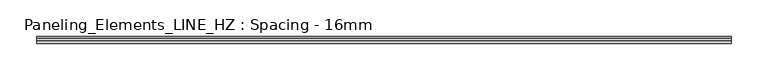
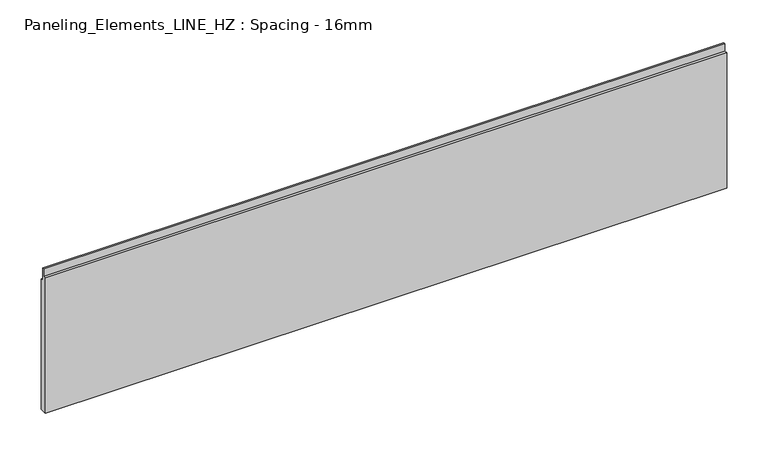
"""IFC4 building model written with IfcOpenShell, lengths in millimetres: plate geometry, Paneling_Elements_LINE_HZ : Spacing - 16mm."""

from ifc_helpers import new_model, si_unit, frame, origin, place, context, project, spatial, polyline, outline, extrude, source, transform, mapped, element, save


def paneling_elements_line_hz_spacing_16mm_c230c5ba(model_context):
    return source(origin(), model_context, "Body", "SweptSolid", [
        extrude(outline(polyline([(5.0, 0.0), (-5.0, 0.0), (-5.0, 200.0), (-1.0, 200.0), (-1.0, 211.0), (2.0, 211.0), (2.0, 193.0), (5.0, 193.0), (5.0, 0.0)])), frame((-475.5, 0.0, 0.0), z_axis=(1.0, 0.0, 0.0), x_axis=(0.0, 1.0, 0.0)), (0.0, 0.0, 1.0), 951.0),
    ])


if __name__ == "__main__":
    model = new_model("IFC4")
    model_context = context("Model", 3, world=origin())
    ifc_project = project(units=[si_unit("LENGTHUNIT", "METRE", prefix="MILLI")], contexts=[model_context])
    site = spatial("IfcSite", under=ifc_project)
    building = spatial("IfcBuilding", under=site)
    placement = place(None, origin())
    paneling_elements_line_hz_spacing_16mm_shape = paneling_elements_line_hz_spacing_16mm_c230c5ba(model_context)
    element("IfcPlate", 1, ObjectType="Paneling_Elements_LINE_HZ : Spacing - 16mm", at=placement, inside=building, context=model_context, shape_type="MappedRepresentation", body=[
        mapped(paneling_elements_line_hz_spacing_16mm_shape, transform((0.0, 0.0, 0.0), x_axis=(1.0, 0.0, 0.0), y_axis=(0.0, 1.0, 0.0), z_axis=(0.0, 0.0, 1.0))),
    ])
    save(model, "model.ifc")
